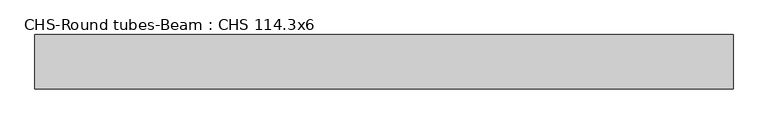
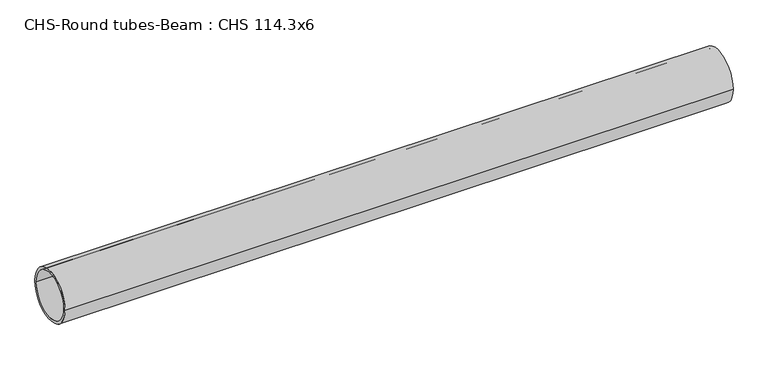
"""IFC4 building model written with IfcOpenShell, lengths in millimetres: beam geometry, CHS-Round tubes-Beam : CHS 114.3x6."""

import ifcopenshell
import ifcopenshell.guid

model = None  # the IFC model being written
_history = None  # IfcOwnerHistory: only IFC2X3 demands one
_inside = {}  # id of a spatial element -> (the spatial element, [elements in it])
_under = {}  # id of a project, library or spatial element -> (it, [spatial elements below it])
_declared = {}  # id of a project -> (the project, [libraries it declares])
_typed = {}  # id of a type object -> (the type object, [elements of that type])
_made_of = {}  # id of a material, layer set ... -> (it, [elements and type objects made of it])


def new_model(schema):
    """Start an empty IFC model of exactly this schema.

    Asked for "IFC4X3", IfcOpenShell would pick the latest addendum, in which some entities
    have other attributes; the version numbers below select the first issue.
    IFC2X3 requires an IfcOwnerHistory on every rooted entity: one is made here for all.
    """
    global model, _history
    if schema == "IFC4X3":
        model = ifcopenshell.file(schema_version=(4, 3, 0, 0))
    else:
        model = ifcopenshell.file(schema=schema)
    _inside.clear()
    _under.clear()
    _declared.clear()
    _typed.clear()
    _made_of.clear()
    _history = None
    if model.schema == "IFC2X3":
        org = make("IfcOrganization", Name="unknown")
        user = make(
            "IfcPersonAndOrganization",
            ThePerson=make("IfcPerson", FamilyName="unknown"),
            TheOrganization=org,
        )
        app = make(
            "IfcApplication",
            ApplicationDeveloper=org,
            Version="unknown",
            ApplicationFullName="unknown",
            ApplicationIdentifier="unknown",
        )
        _history = make(
            "IfcOwnerHistory",
            OwningUser=user,
            OwningApplication=app,
            ChangeAction="ADDED",
            CreationDate=0,
        )
    return model


def make(cls, **values):
    """One entity of the class cls with the attributes given. An attribute that is None is left unset."""
    return model.create_entity(
        cls, **{name: value for name, value in values.items() if value is not None}
    )


def rooted(cls, **values):
    """An entity with a GlobalId (a new one), such as an element, a storey or a relation."""
    return make(cls, GlobalId=ifcopenshell.guid.new(), OwnerHistory=_history, **values)


def si_unit(unit_type, name, prefix=None):
    """IfcSIUnit, for example si_unit("LENGTHUNIT", "METRE", prefix="MILLI")."""
    return make("IfcSIUnit", UnitType=unit_type, Prefix=prefix, Name=name)


def assignment(units):
    """IfcUnitAssignment: the units of a project."""
    return None if units is None else make("IfcUnitAssignment", Units=units)


def point(xyz):
    """IfcCartesianPoint."""
    return None if xyz is None else make("IfcCartesianPoint", Coordinates=xyz)


def direction(xyz):
    """IfcDirection."""
    return None if xyz is None else make("IfcDirection", DirectionRatios=xyz)


def frame(location, z_axis=None, x_axis=None):
    """IfcAxis2Placement3D, a coordinate frame: its origin and axes. An axis left out is left unset."""
    return make(
        "IfcAxis2Placement3D",
        Location=point(location),
        Axis=direction(z_axis),
        RefDirection=direction(x_axis),
    )


def frame_2d(location, x_axis=None):
    """IfcAxis2Placement2D, a coordinate frame in the plane: its origin and x axis."""
    return make(
        "IfcAxis2Placement2D", Location=point(location), RefDirection=direction(x_axis)
    )


def origin():
    """The frame at (0, 0, 0) with its axes left unset."""
    return frame((0.0, 0.0, 0.0))


def origin_2d():
    """The frame at (0, 0) in the plane with its x axis left unset."""
    return frame_2d((0.0, 0.0))


def place(relative_to, where):
    """IfcLocalPlacement: puts the frame where relative to a parent placement (None: the world)."""
    return make(
        "IfcLocalPlacement", PlacementRelTo=relative_to, RelativePlacement=where
    )


def context(
    kind, dimensions, precision=None, world=None, true_north=None, identifier=None
):
    """IfcGeometricRepresentationContext, for example the 3D "Model" context."""
    return make(
        "IfcGeometricRepresentationContext",
        ContextIdentifier=identifier,
        ContextType=kind,
        CoordinateSpaceDimension=dimensions,
        Precision=precision,
        WorldCoordinateSystem=world,
        TrueNorth=true_north,
    )


def project(units=None, contexts=None):
    """IfcProject with its units and contexts."""
    return rooted(
        "IfcProject",
        Name="project",
        RepresentationContexts=contexts,
        UnitsInContext=assignment(units),
    )


def spatial(cls, under=None, at=None, **own):
    """A site, building, storey or space (cls), placed at a placement, below another one or the project."""
    s = rooted(cls, ObjectPlacement=at, **own)
    if under is not None:
        _under.setdefault(under.id(), (under, []))[1].append(s)
    return s


def circle_curve(where, radius):
    """IfcCircle in the frame where."""
    return make("IfcCircle", Position=where, Radius=radius)


def trimmed(basis, trim1, trim2, sense, master):
    """IfcTrimmedCurve: the piece of a basis curve between two trims."""
    return make(
        "IfcTrimmedCurve",
        BasisCurve=basis,
        Trim1=trim1,
        Trim2=trim2,
        SenseAgreement=sense,
        MasterRepresentation=master,
    )


def segment(curve, same_sense, transition):
    """IfcCompositeCurveSegment."""
    return make(
        "IfcCompositeCurveSegment",
        Transition=transition,
        SameSense=same_sense,
        ParentCurve=curve,
    )


def composite_curve(segments, self_intersect=None):
    """IfcCompositeCurve: segments joined end to end."""
    return make("IfcCompositeCurve", Segments=segments, SelfIntersect=self_intersect)


def outline(outer, holes=None, kind="AREA"):
    """IfcArbitraryClosedProfileDef: a profile drawn as a closed curve; with holes, ...WithVoids."""
    if holes is None:
        return make("IfcArbitraryClosedProfileDef", ProfileType=kind, OuterCurve=outer)
    return make(
        "IfcArbitraryProfileDefWithVoids",
        ProfileType=kind,
        OuterCurve=outer,
        InnerCurves=holes,
    )


def extrude(swept, where, along, depth):
    """IfcExtrudedAreaSolid: the profile swept, set in the frame where, extruded along a direction by depth."""
    return make(
        "IfcExtrudedAreaSolid",
        SweptArea=swept,
        Position=where,
        ExtrudedDirection=direction(along),
        Depth=depth,
    )


def shape(context_of_items, identifier, shape_type, items):
    """IfcShapeRepresentation: the items that make up one representation, for example the "Body"."""
    return make(
        "IfcShapeRepresentation",
        ContextOfItems=context_of_items,
        RepresentationIdentifier=identifier,
        RepresentationType=shape_type,
        Items=items,
    )


def source(mapping_origin, context_of_items, identifier, shape_type, items):
    """IfcRepresentationMap: a shape defined once, which mapped items show again and again."""
    return make(
        "IfcRepresentationMap",
        MappingOrigin=mapping_origin,
        MappedRepresentation=shape(context_of_items, identifier, shape_type, items),
    )


def transform(
    local_origin,
    x_axis=None,
    y_axis=None,
    z_axis=None,
    scale=None,
    scale2=None,
    scale3=None,
    uniform=True,
):
    """IfcCartesianTransformationOperator3D, or its non-uniform kind. x_axis, y_axis, z_axis: its Axis1, 2, 3."""
    if uniform:
        return make(
            "IfcCartesianTransformationOperator3D",
            Axis1=direction(x_axis),
            Axis2=direction(y_axis),
            LocalOrigin=point(local_origin),
            Scale=scale,
            Axis3=direction(z_axis),
        )
    return make(
        "IfcCartesianTransformationOperator3DnonUniform",
        Axis1=direction(x_axis),
        Axis2=direction(y_axis),
        LocalOrigin=point(local_origin),
        Scale=scale,
        Axis3=direction(z_axis),
        Scale2=scale2,
        Scale3=scale3,
    )


def mapped(mapping_source, mapping_target):
    """IfcMappedItem: shows the shape of a source again, moved by a transform."""
    return make(
        "IfcMappedItem", MappingSource=mapping_source, MappingTarget=mapping_target
    )


def made_of(thing, what):
    """Note that an element or type object is made of a material, layer set ...; save() writes the relation."""
    if what is not None:
        _made_of.setdefault(what.id(), (what, []))[1].append(thing)
    return thing


def element(
    cls,
    number,
    at=None,
    inside=None,
    cuts=None,
    type_object=None,
    material=None,
    context=None,
    identifier="Body",
    shape_type=None,
    held_by="IfcProductDefinitionShape",
    body=None,
    shapes=None,
    **own,
):
    """One element of the class cls, such as IfcWall. Its Tag is "e" and its number.

    at: its placement. inside: the storey or other place that contains it. cuts: it is an
    opening in that element (IfcRelVoidsElement). A single representation is given by context,
    identifier, shape_type and body (its items); several are given by shapes. held_by: the class
    of the entity that holds the representations. save() writes the other relations.
    """
    e = rooted(cls, Tag="e%d" % number, ObjectPlacement=at, **own)
    if body is not None:
        shapes = [shape(context, identifier, shape_type, body)]
    if shapes is not None:
        e.Representation = make(held_by, Representations=shapes)
    if inside is not None:
        _inside.setdefault(inside.id(), (inside, []))[1].append(e)
    if cuts is not None:
        rooted(
            "IfcRelVoidsElement", RelatingBuildingElement=cuts, RelatedOpeningElement=e
        )
    if type_object is not None:
        _typed.setdefault(type_object.id(), (type_object, []))[1].append(e)
    return made_of(e, material)


def aggregate(whole, parts):
    """IfcRelAggregates: a whole, such as a stair, and the parts it consists of."""
    return rooted("IfcRelAggregates", RelatingObject=whole, RelatedObjects=parts)


def save(model, path):
    """Write the relations noted so far, then the file.

    IfcRelAggregates (storeys below a building ...), IfcRelContainedInSpatialStructure (elements
    in a storey), IfcRelDefinesByType, IfcRelAssociatesMaterial and IfcRelDeclares: one each for
    every whole, place, type object, material and project.
    """
    for whole, parts in _under.values():
        aggregate(whole, parts)
    for where, things in _inside.values():
        rooted(
            "IfcRelContainedInSpatialStructure",
            RelatedElements=things,
            RelatingStructure=where,
        )
    for kind, things in _typed.values():
        rooted("IfcRelDefinesByType", RelatedObjects=things, RelatingType=kind)
    for what, things in _made_of.values():
        rooted("IfcRelAssociatesMaterial", RelatedObjects=things, RelatingMaterial=what)
    for by, libraries in _declared.values():
        rooted("IfcRelDeclares", RelatingContext=by, RelatedDefinitions=libraries)
    model.write(path)


def chs_round_tubes_beam_chs_114_3x6_a128a41c(model_context):
    return source(origin(), model_context, "Body", "SweptSolid", [
        extrude(outline(composite_curve([segment(trimmed(circle_curve(origin_2d(), 57.15), [point((57.15, 0.0))], [point((-57.15, 0.0))], False, "CARTESIAN"), True, "CONTINUOUS"), segment(trimmed(circle_curve(origin_2d(), 57.15), [point((-57.15, 0.0))], [point((57.15, 0.0))], False, "CARTESIAN"), True, "CONTINUOUS")], self_intersect=False), holes=[composite_curve([segment(trimmed(circle_curve(origin_2d(), 51.15), [point((51.15, 0.0))], [point((-51.15, 0.0))], True, "CARTESIAN"), True, "CONTINUOUS"), segment(trimmed(circle_curve(origin_2d(), 51.15), [point((-51.15, 0.0))], [point((51.15, 0.0))], True, "CARTESIAN"), True, "CONTINUOUS")], self_intersect=False)]), frame((-701.5963221, 0.0, 0.0), z_axis=(1.0, 0.0, 0.0), x_axis=(0.0, 1.0, 0.0)), (0.0, 0.0, 1.0), 1465.2622001),
    ])


if __name__ == "__main__":
    model = new_model("IFC4")
    model_context = context("Model", 3, world=origin())
    ifc_project = project(units=[si_unit("LENGTHUNIT", "METRE", prefix="MILLI")], contexts=[model_context])
    site = spatial("IfcSite", under=ifc_project)
    building = spatial("IfcBuilding", under=site)
    placement = place(None, origin())
    chs_round_tubes_beam_chs_114_3x6_shape = chs_round_tubes_beam_chs_114_3x6_a128a41c(model_context)
    element("IfcBeam", 1, ObjectType="CHS-Round tubes-Beam : CHS 114.3x6", at=placement, inside=building, context=model_context, shape_type="MappedRepresentation", body=[
        mapped(chs_round_tubes_beam_chs_114_3x6_shape, transform((0.0, 0.0, 0.0), x_axis=(1.0, 0.0, 0.0), y_axis=(0.0, 1.0, 0.0), z_axis=(0.0, 0.0, 1.0))),
    ])
    save(model, "model.ifc")
